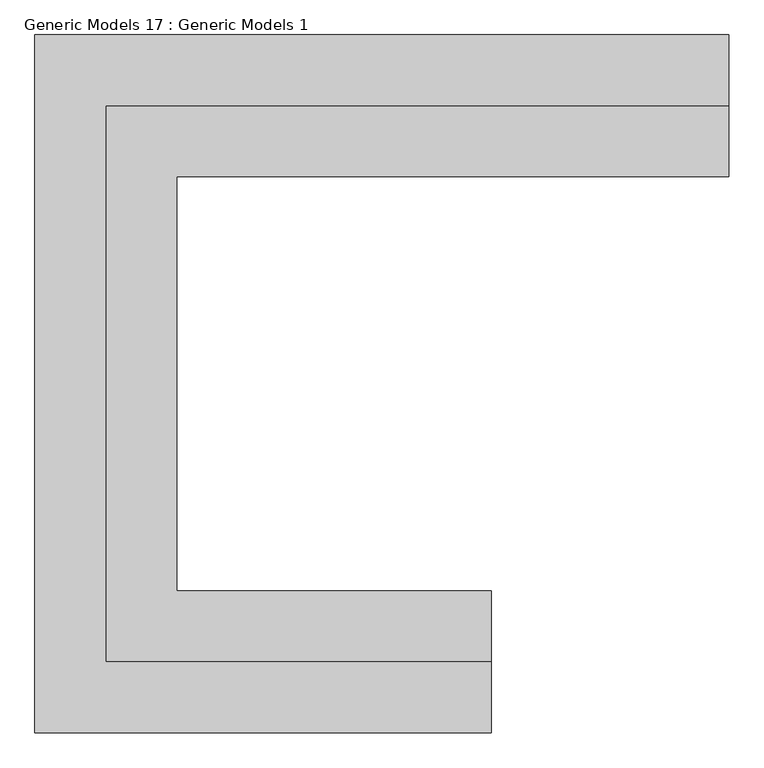
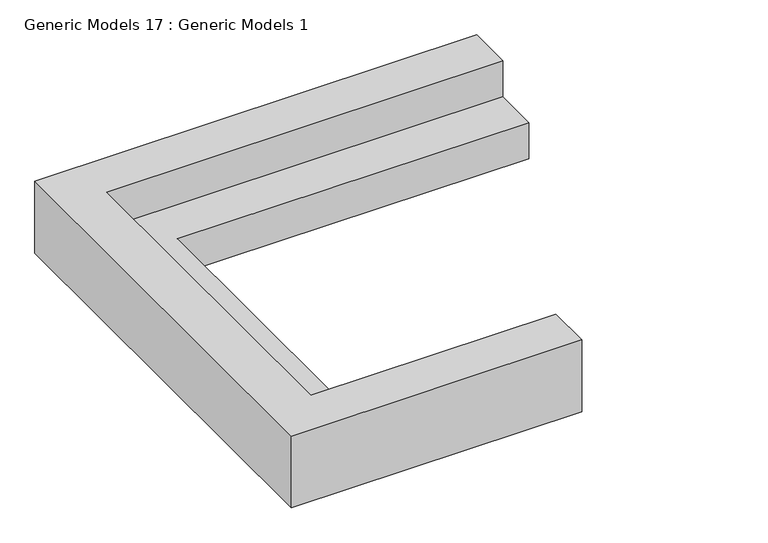
"""IFC4 building model written with IfcOpenShell, lengths in millimetres: proxy geometry, Generic Models 17 : Generic Models 1."""

from ifc_helpers import new_model, si_unit, origin, origin_with_axes, place, context, project, spatial, polyline, outline, extrude, source, transform, mapped, element, save


def generic_models_17_generic_models_1_956e5a17(model_context):
    return source(origin(), model_context, "Body", "SweptSolid", [
        extrude(outline(polyline([(451838.8004676, -356581.8488632), (451838.8004676, -352792.5205223), (456080.6004676, -352792.5205223), (456080.6004676, -353275.1205223), (452321.4004676, -353275.1205223), (452321.4004676, -356099.2488632), (454462.9250807, -356099.2488632), (454462.9250807, -356581.8488632), (451838.8004676, -356581.8488632)])), origin_with_axes(), (0.0, 0.0, 1.0), 406.4),
        extrude(outline(polyline([(451838.8004676, -352792.5205223), (451838.8004676, -356581.8488632), (454462.9250807, -356581.8488632), (454462.9250807, -357064.4488632), (451356.2004676, -357064.4488632), (451356.2004676, -352309.9205223), (456080.6004676, -352309.9205223), (456080.6004676, -352792.5205223), (451838.8004676, -352792.5205223)])), origin_with_axes(), (0.0, 0.0, 1.0), 812.8),
    ])


if __name__ == "__main__":
    model = new_model("IFC4")
    model_context = context("Model", 3, world=origin())
    ifc_project = project(units=[si_unit("LENGTHUNIT", "METRE", prefix="MILLI")], contexts=[model_context])
    site = spatial("IfcSite", under=ifc_project)
    building = spatial("IfcBuilding", under=site)
    placement = place(None, origin())
    generic_models_17_generic_models_1_shape = generic_models_17_generic_models_1_956e5a17(model_context)
    element("IfcBuildingElementProxy", 1, Name="Generic Models 17 : Generic Models 1", ObjectType="Generic Models 17 : Generic Models 1", at=placement, inside=building, context=model_context, shape_type="MappedRepresentation", body=[
        mapped(generic_models_17_generic_models_1_shape, transform((0.0, 0.0, 0.0), x_axis=(1.0, 0.0, 0.0), y_axis=(0.0, 1.0, 0.0), z_axis=(0.0, 0.0, 1.0))),
    ])
    save(model, "model.ifc")
